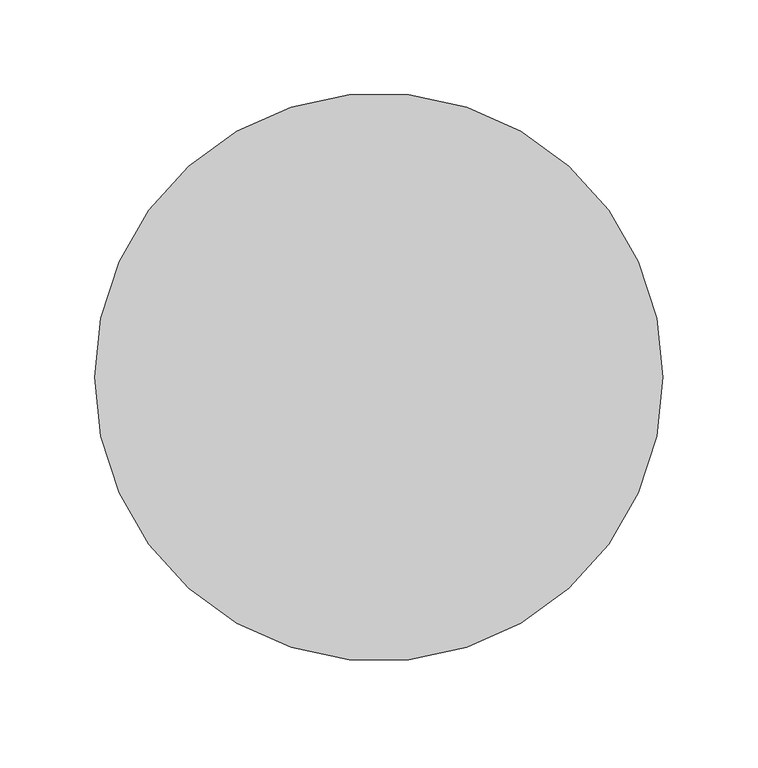
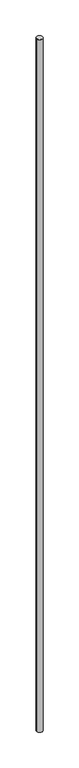
"""IFC4 building model written with IfcOpenShell, lengths in millimetres: column geometry."""

from ifc_helpers import new_model, si_unit, point, origin, origin_with_axes, origin_2d, place, context, project, spatial, circle_curve, trimmed, segment, composite_curve, outline, extrude, source, transform, mapped, element, save


def column_5e8a94f4(model_context):
    return source(origin(), model_context, "Body", "SweptSolid", [
        extrude(outline(composite_curve([segment(trimmed(circle_curve(origin_2d(), 150.0), [point((-150.0, 0.0))], [point((150.0, 0.0))], False, "CARTESIAN"), True, "CONTINUOUS"), segment(trimmed(circle_curve(origin_2d(), 150.0), [point((150.0, 0.0))], [point((-150.0, 0.0))], False, "CARTESIAN"), True, "CONTINUOUS")], self_intersect=False)), origin_with_axes(), (0.0, 0.0, 1.0), 36000.0),
    ])


if __name__ == "__main__":
    model = new_model("IFC4")
    model_context = context("Model", 3, world=origin())
    ifc_project = project(units=[si_unit("LENGTHUNIT", "METRE", prefix="MILLI")], contexts=[model_context])
    site = spatial("IfcSite", under=ifc_project)
    building = spatial("IfcBuilding", under=site)
    placement = place(None, origin())
    column_shape = column_5e8a94f4(model_context)
    element("IfcColumn", 1, at=placement, inside=building, context=model_context, shape_type="MappedRepresentation", body=[
        mapped(column_shape, transform((0.0, 0.0, 0.0), x_axis=(1.0, 0.0, 0.0), y_axis=(0.0, 1.0, 0.0), z_axis=(0.0, 0.0, 1.0))),
    ])
    save(model, "model.ifc")
